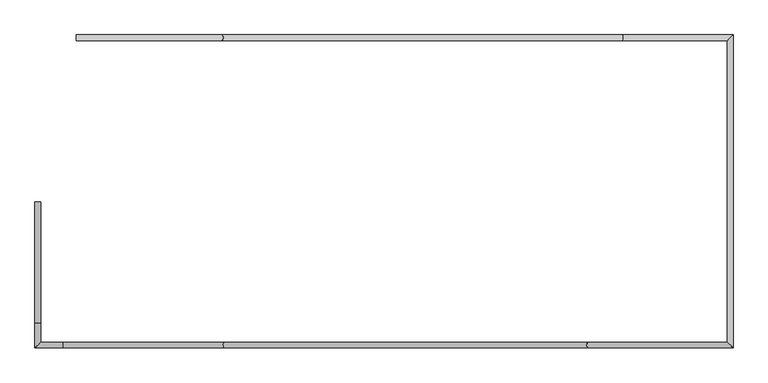
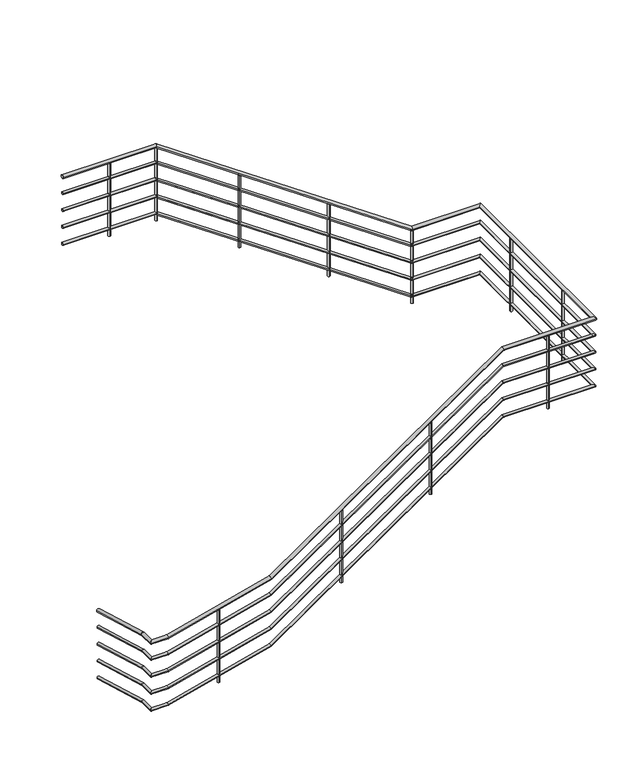
"""IFC4 building model written with IfcOpenShell, lengths in millimetres: railing geometry."""

from ifc_helpers import new_model, si_unit, point, frame, frame_2d, origin, place, context, project, spatial, circle_curve, ellipse_curve, trimmed, segment, composite_curve, outline, extrude, source, transform, mapped, element, save
from ifc_brep_helpers import plane_surface, cylinder_surface, advanced_brep


def railing_7acc2935(model_context):
    return source(origin(), model_context, "Body", "SolidModel", [
        advanced_brep(
        [(-3200.9784025, 14849.6868987, 1159.2096895), (-3240.9784025, 14849.6868987, 1159.2096895), (-3200.9784025, 13983.2318837, 1405.1860651), (-3240.9784025, 13983.2318837, 1405.1860651), (-3200.9784025, 13844.6868987, 1405.1860651), (-3240.9784025, 13804.6868987, 1405.1860651), (-3040.287411, 13844.6868987, 1405.1860651), (-3040.287411, 13804.6868987, 1405.1860651), (-1887.5349177, 13844.6868987, 1701.5202767), (-1887.5349177, 13804.6868987, 1701.5202767), (710.2691271, 13844.6868987, 3500.0), (710.2691271, 13804.6868987, 3500.0), (1709.0215975, 13844.6868987, 3500.0), (1749.0215975, 13804.6868987, 3500.0), (1709.0215975, 16004.6868987, 3500.0), (1749.0215975, 16044.6868987, 3500.0), (957.7740679, 16004.6868987, 3500.0), (957.7740679, 16044.6868987, 3500.0), (-1902.2259321, 16004.6868987, 5480.0), (-1902.2259321, 16044.6868987, 5480.0), (-2945.9784025, 16004.6868987, 5480.0), (-2945.9784025, 16044.6868987, 5480.0)],
        [
            (0, 1, ellipse_curve(frame((-3220.9784025, 14849.6868987, 1159.2096895), z_axis=(0.0, 1.0, 0.0), x_axis=(0.0, 0.0, -0.9999999999999999)), 20.7903105, 20.0)),
            (1, 0, ellipse_curve(frame((-3220.9784025, 14849.6868987, 1159.2096895), z_axis=(0.0, 1.0, 0.0), x_axis=(0.0, 0.0, -0.9999999999999999)), 20.7903105, 20.0)),
            (0, 2),
            (2, 3, ellipse_curve(frame((-3220.9784025, 13983.2318837, 1405.1860651), z_axis=(0.0, 0.9904510578378964, -0.1378647961873951), x_axis=(0.0, -0.1378647961873958, -0.9904510578378964)), 20.1928201, 20.0)),
            (3, 1),
            (3, 2, ellipse_curve(frame((-3220.9784025, 13983.2318837, 1405.1860651), z_axis=(0.0, 0.9904510578378964, -0.1378647961873951), x_axis=(0.0, -0.1378647961873958, -0.9904510578378964)), 20.1928201, 20.0)),
            (2, 4),
            (4, 5, ellipse_curve(frame((-3220.9784025, 13824.6868987, 1405.1860651), z_axis=(-0.7071067811865469, 0.7071067811865481, 0.0), x_axis=(0.7071067811865481, 0.7071067811865468, 0.0)), 28.2842712, 20.0)),
            (5, 3),
            (5, 4, ellipse_curve(frame((-3220.9784025, 13824.6868987, 1405.1860651), z_axis=(-0.7071067811865469, 0.7071067811865481, 0.0), x_axis=(0.7071067811865481, 0.7071067811865468, 0.0)), 28.2842712, 20.0)),
            (4, 6),
            (6, 7, ellipse_curve(frame((-3040.287411, 13824.6868987, 1405.1860651), z_axis=(-0.9920964504827824, 0.0, -0.12547761927716114), x_axis=(-0.12547761927716075, 0.0, 0.9920964504827824)), 20.1593303, 20.0)),
            (7, 5),
            (7, 6, ellipse_curve(frame((-3040.287411, 13824.6868987, 1405.1860651), z_axis=(-0.9920964504827824, 0.0, -0.12547761927716114), x_axis=(-0.12547761927716075, 0.0, 0.9920964504827824)), 20.1593303, 20.0)),
            (6, 8),
            (8, 9, ellipse_curve(frame((-1887.5349177, 13824.6868987, 1701.5202767), z_axis=(-0.9095561360667639, 0.0, -0.41558108155123985), x_axis=(-0.415581081551241, 0.0, 0.9095561360667636)), 20.3172983, 20.0)),
            (9, 7),
            (9, 8, ellipse_curve(frame((-1887.5349177, 13824.6868987, 1701.5202767), z_axis=(-0.9095561360667639, 0.0, -0.41558108155123985), x_axis=(-0.415581081551241, 0.0, 0.9095561360667636)), 20.3172983, 20.0)),
            (8, 10),
            (10, 11, ellipse_curve(frame((710.2691271, 13824.6868987, 3500.0), z_axis=(-0.9545135388363484, 0.0, -0.29816757734218957), x_axis=(0.2981675773421887, 0.0, -0.9545135388363488)), 20.9530815, 20.0)),
            (11, 9),
            (11, 10, ellipse_curve(frame((710.2691271, 13824.6868987, 3500.0), z_axis=(-0.9545135388363484, 0.0, -0.29816757734218957), x_axis=(0.2981675773421887, 0.0, -0.9545135388363488)), 20.9530815, 20.0)),
            (10, 12),
            (12, 13, ellipse_curve(frame((1729.0215975, 13824.6868987, 3500.0), z_axis=(-0.7071067811865475, -0.7071067811865475, 0.0), x_axis=(-0.7071067811865476, 0.7071067811865474, 0.0)), 28.2842712, 20.0)),
            (13, 11),
            (13, 12, ellipse_curve(frame((1729.0215975, 13824.6868987, 3500.0), z_axis=(-0.7071067811865475, -0.7071067811865475, 0.0), x_axis=(-0.7071067811865476, 0.7071067811865474, 0.0)), 28.2842712, 20.0)),
            (12, 14),
            (14, 15, ellipse_curve(frame((1729.0215975, 16024.6868987, 3500.0), z_axis=(0.7071067811865475, -0.7071067811865475, 0.0), x_axis=(-0.7071067811865474, -0.7071067811865476, 0.0)), 28.2842712, 20.0)),
            (15, 13),
            (15, 14, ellipse_curve(frame((1729.0215975, 16024.6868987, 3500.0), z_axis=(0.7071067811865475, -0.7071067811865475, 0.0), x_axis=(-0.7071067811865474, -0.7071067811865476, 0.0)), 28.2842712, 20.0)),
            (14, 16),
            (16, 17, ellipse_curve(frame((957.7740679, 16024.6868987, 3500.0), z_axis=(0.9545135388363485, 0.0, -0.29816757734218974), x_axis=(0.2981675773421897, 0.0, 0.9545135388363485)), 20.9530815, 20.0)),
            (17, 15),
            (17, 16, ellipse_curve(frame((957.7740679, 16024.6868987, 3500.0), z_axis=(0.9545135388363485, 0.0, -0.29816757734218974), x_axis=(0.2981675773421897, 0.0, 0.9545135388363485)), 20.9530815, 20.0)),
            (16, 18),
            (18, 19, ellipse_curve(frame((-1902.2259321, 16024.6868987, 5480.0), z_axis=(0.9545135388363485, 0.0, -0.29816757734218974), x_axis=(-0.2981675773421897, 0.0, -0.9545135388363485)), 20.9530815, 20.0)),
            (19, 17),
            (19, 18, ellipse_curve(frame((-1902.2259321, 16024.6868987, 5480.0), z_axis=(0.9545135388363485, 0.0, -0.29816757734218974), x_axis=(-0.2981675773421897, 0.0, -0.9545135388363485)), 20.9530815, 20.0)),
            (20, 21, circle_curve(frame((-2945.9784025, 16024.6868987, 5480.0), z_axis=(-1.0, 0.0, 0.0), x_axis=(0.0, 1.0, 0.0)), 20.0)),
            (21, 20, circle_curve(frame((-2945.9784025, 16024.6868987, 5480.0), z_axis=(-1.0, 0.0, 0.0), x_axis=(0.0, 1.0, 0.0)), 20.0)),
            (18, 20),
            (21, 19),
        ],
        [
            plane_surface(frame((-3220.9784025, 14849.6868987, 1180.0), z_axis=(0.0, 1.0, 0.0), x_axis=(0.0, 0.0, -1.0))),
            cylinder_surface(frame((-3220.9784025, 14844.2249654, 1160.7602681), z_axis=(0.0, 0.961986595944416, -0.27309666644482294), x_axis=(-1.0, 0.0, 0.0)), 20.0),
            cylinder_surface(frame((-3220.9784025, 13986.0157627, 1405.1860651), z_axis=(0.0, 1.0, 0.0), x_axis=(-1.0, 0.0, 0.0)), 20.0),
            cylinder_surface(frame((-3220.9784025, 13824.6868987, 1405.1860651), z_axis=(-1.0, 0.0, 0.0), x_axis=(0.0, -1.0, 0.0)), 20.0),
            cylinder_surface(frame((-3037.8375197, 13824.6868987, 1405.8158504), z_axis=(-0.9685107341210716, 0.0, -0.24897180139980304), x_axis=(0.0, -1.0, 0.0)), 20.0),
            cylinder_surface(frame((-1884.5942029, 13824.6868987, 1703.5561562), z_axis=(-0.8221921916437788, 0.0, -0.5692099788303081), x_axis=(0.0, -1.0, 0.0)), 20.0),
            cylinder_surface(frame((704.0215975, 13824.6868987, 3500.0), z_axis=(-1.0, 0.0, 0.0), x_axis=(0.0, -1.0, 0.0)), 20.0),
            cylinder_surface(frame((1729.0215975, 13824.6868987, 3500.0), z_axis=(0.0, -1.0, 0.0), x_axis=(1.0, 0.0, 0.0)), 20.0),
            cylinder_surface(frame((1729.0215975, 16024.6868987, 3500.0), z_axis=(1.0, 0.0, 0.0), x_axis=(0.0, 1.0, 0.0)), 20.0),
            cylinder_surface(frame((952.6373979, 16024.6868987, 3503.5561562), z_axis=(0.8221921916437787, 0.0, -0.5692099788303083), x_axis=(0.0, 1.0, 0.0)), 20.0),
            plane_surface(frame((-2945.9784025, 16024.6868987, 5500.0), z_axis=(-1.0, 0.0, 0.0), x_axis=(0.0, -1.0, 0.0))),
            cylinder_surface(frame((-1895.9784025, 16024.6868987, 5480.0), z_axis=(1.0, 0.0, 0.0), x_axis=(0.0, 1.0, 0.0)), 20.0),
        ],
        [
            (0, [[1, 2]]),
            (1, [[-1, 3, 4, 5]]),
            (1, [[-2, -5, 6, -3]]),
            (2, [[-4, 7, 8, 9]]),
            (2, [[-6, -9, 10, -7]]),
            (3, [[-8, 11, 12, 13]]),
            (3, [[-10, -13, 14, -11]]),
            (4, [[-12, 15, 16, 17]]),
            (4, [[-14, -17, 18, -15]]),
            (5, [[-16, 19, 20, 21]]),
            (5, [[-18, -21, 22, -19]]),
            (6, [[-20, 23, 24, 25]]),
            (6, [[-22, -25, 26, -23]]),
            (7, [[-24, 27, 28, 29]]),
            (7, [[-26, -29, 30, -27]]),
            (8, [[-28, 31, 32, 33]]),
            (8, [[-30, -33, 34, -31]]),
            (9, [[-32, 35, 36, 37]]),
            (9, [[-34, -37, 38, -35]]),
            (10, [[39, 40]]),
            (11, [[-36, 41, -40, 42]]),
            (11, [[-38, -42, -39, -41]]),
        ],
    ),
        advanced_brep(
        [(-3205.9784025, 14849.6868987, 964.4072671), (-3235.9784025, 14849.6868987, 964.4072671), (-3205.9784025, 13983.9278534, 1210.1860651), (-3235.9784025, 13983.9278534, 1210.1860651), (-3205.9784025, 13839.6868987, 1210.1860651), (-3235.9784025, 13809.6868987, 1210.1860651), (-3040.9197972, 13839.6868987, 1210.1860651), (-3040.9197972, 13809.6868987, 1210.1860651), (-1889.6457889, 13839.6868987, 1506.1402075), (-1889.6457889, 13809.6868987, 1506.1402075), (708.7072447, 13839.6868987, 3305.0), (708.7072447, 13809.6868987, 3305.0), (1714.0215975, 13839.6868987, 3305.0), (1744.0215975, 13809.6868987, 3305.0), (1714.0215975, 16009.6868987, 3305.0), (1744.0215975, 16039.6868987, 3305.0), (959.3359503, 16009.6868987, 3305.0), (959.3359503, 16039.6868987, 3305.0), (-1900.6640497, 16009.6868987, 5285.0), (-1900.6640497, 16039.6868987, 5285.0), (-2945.9784025, 16009.6868987, 5285.0), (-2945.9784025, 16039.6868987, 5285.0)],
        [
            (0, 1, ellipse_curve(frame((-3220.9784025, 14849.6868987, 964.4072671), z_axis=(0.0, 1.0, 0.0), x_axis=(0.0, 0.0, -0.9999999999999999)), 15.5927329, 15.0)),
            (1, 0, ellipse_curve(frame((-3220.9784025, 14849.6868987, 964.4072671), z_axis=(0.0, 1.0, 0.0), x_axis=(0.0, 0.0, -0.9999999999999999)), 15.5927329, 15.0)),
            (0, 2),
            (2, 3, ellipse_curve(frame((-3220.9784025, 13983.9278534, 1210.1860651), z_axis=(0.0, 0.9904510578378964, -0.1378647961873951), x_axis=(0.0, -0.1378647961873958, -0.9904510578378964)), 15.1446151, 15.0)),
            (3, 1),
            (3, 2, ellipse_curve(frame((-3220.9784025, 13983.9278534, 1210.1860651), z_axis=(0.0, 0.9904510578378964, -0.1378647961873951), x_axis=(0.0, -0.1378647961873958, -0.9904510578378964)), 15.1446151, 15.0)),
            (2, 4),
            (4, 5, ellipse_curve(frame((-3220.9784025, 13824.6868987, 1210.1860651), z_axis=(-0.7071067811865469, 0.7071067811865481, 0.0), x_axis=(0.7071067811865481, 0.7071067811865468, 0.0)), 21.2132034, 15.0)),
            (5, 3),
            (5, 4, ellipse_curve(frame((-3220.9784025, 13824.6868987, 1210.1860651), z_axis=(-0.7071067811865469, 0.7071067811865481, 0.0), x_axis=(0.7071067811865481, 0.7071067811865468, 0.0)), 21.2132034, 15.0)),
            (4, 6),
            (6, 7, ellipse_curve(frame((-3040.9197972, 13824.6868987, 1210.1860651), z_axis=(-0.9920964504827824, 0.0, -0.12547761927716114), x_axis=(-0.12547761927716075, 0.0, 0.9920964504827824)), 15.1194977, 15.0)),
            (7, 5),
            (7, 6, ellipse_curve(frame((-3040.9197972, 13824.6868987, 1210.1860651), z_axis=(-0.9920964504827824, 0.0, -0.12547761927716114), x_axis=(-0.12547761927716075, 0.0, 0.9920964504827824)), 15.1194977, 15.0)),
            (6, 8),
            (8, 9, ellipse_curve(frame((-1889.6457889, 13824.6868987, 1506.1402075), z_axis=(-0.9095561360667639, 0.0, -0.41558108155123985), x_axis=(-0.415581081551241, 0.0, 0.9095561360667636)), 15.2379737, 15.0)),
            (9, 7),
            (9, 8, ellipse_curve(frame((-1889.6457889, 13824.6868987, 1506.1402075), z_axis=(-0.9095561360667639, 0.0, -0.41558108155123985), x_axis=(-0.415581081551241, 0.0, 0.9095561360667636)), 15.2379737, 15.0)),
            (8, 10),
            (10, 11, ellipse_curve(frame((708.7072447, 13824.6868987, 3305.0), z_axis=(-0.9545135388363484, 0.0, -0.29816757734218957), x_axis=(0.2981675773421887, 0.0, -0.9545135388363488)), 15.7148111, 15.0)),
            (11, 9),
            (11, 10, ellipse_curve(frame((708.7072447, 13824.6868987, 3305.0), z_axis=(-0.9545135388363484, 0.0, -0.29816757734218957), x_axis=(0.2981675773421887, 0.0, -0.9545135388363488)), 15.7148111, 15.0)),
            (10, 12),
            (12, 13, ellipse_curve(frame((1729.0215975, 13824.6868987, 3305.0), z_axis=(-0.7071067811865475, -0.7071067811865475, 0.0), x_axis=(-0.7071067811865476, 0.7071067811865474, 0.0)), 21.2132034, 15.0)),
            (13, 11),
            (13, 12, ellipse_curve(frame((1729.0215975, 13824.6868987, 3305.0), z_axis=(-0.7071067811865475, -0.7071067811865475, 0.0), x_axis=(-0.7071067811865476, 0.7071067811865474, 0.0)), 21.2132034, 15.0)),
            (12, 14),
            (14, 15, ellipse_curve(frame((1729.0215975, 16024.6868987, 3305.0), z_axis=(0.7071067811865475, -0.7071067811865475, 0.0), x_axis=(-0.7071067811865474, -0.7071067811865476, 0.0)), 21.2132034, 15.0)),
            (15, 13),
            (15, 14, ellipse_curve(frame((1729.0215975, 16024.6868987, 3305.0), z_axis=(0.7071067811865475, -0.7071067811865475, 0.0), x_axis=(-0.7071067811865474, -0.7071067811865476, 0.0)), 21.2132034, 15.0)),
            (14, 16),
            (16, 17, ellipse_curve(frame((959.3359503, 16024.6868987, 3305.0), z_axis=(0.9545135388363485, 0.0, -0.29816757734218974), x_axis=(0.2981675773421897, 0.0, 0.9545135388363485)), 15.7148111, 15.0)),
            (17, 15),
            (17, 16, ellipse_curve(frame((959.3359503, 16024.6868987, 3305.0), z_axis=(0.9545135388363485, 0.0, -0.29816757734218974), x_axis=(0.2981675773421897, 0.0, 0.9545135388363485)), 15.7148111, 15.0)),
            (16, 18),
            (18, 19, ellipse_curve(frame((-1900.6640497, 16024.6868987, 5285.0), z_axis=(0.9545135388363485, 0.0, -0.29816757734218974), x_axis=(-0.2981675773421897, 0.0, -0.9545135388363485)), 15.7148111, 15.0)),
            (19, 17),
            (19, 18, ellipse_curve(frame((-1900.6640497, 16024.6868987, 5285.0), z_axis=(0.9545135388363485, 0.0, -0.29816757734218974), x_axis=(-0.2981675773421897, 0.0, -0.9545135388363485)), 15.7148111, 15.0)),
            (20, 21, circle_curve(frame((-2945.9784025, 16024.6868987, 5285.0), z_axis=(-1.0, 0.0, 0.0), x_axis=(0.0, 1.0, 0.0)), 15.0)),
            (21, 20, circle_curve(frame((-2945.9784025, 16024.6868987, 5285.0), z_axis=(-1.0, 0.0, 0.0), x_axis=(0.0, 1.0, 0.0)), 15.0)),
            (18, 20),
            (21, 19),
        ],
        [
            plane_surface(frame((-3220.9784025, 14849.6868987, 980.0), z_axis=(0.0, 1.0, 0.0), x_axis=(0.0, 0.0, -1.0))),
            cylinder_surface(frame((-3220.9784025, 14845.5904487, 965.5702011), z_axis=(0.0, 0.961986595944416, -0.27309666644482294), x_axis=(-1.0, 0.0, 0.0)), 15.0),
            cylinder_surface(frame((-3220.9784025, 13986.0157627, 1210.1860651), z_axis=(0.0, 1.0, 0.0), x_axis=(-1.0, 0.0, 0.0)), 15.0),
            cylinder_surface(frame((-3220.9784025, 13824.6868987, 1210.1860651), z_axis=(-1.0, 0.0, 0.0), x_axis=(0.0, -1.0, 0.0)), 15.0),
            cylinder_surface(frame((-3039.0823787, 13824.6868987, 1210.6584041), z_axis=(-0.9685107341210716, 0.0, -0.24897180139980304), x_axis=(0.0, -1.0, 0.0)), 15.0),
            cylinder_surface(frame((-1887.4402528, 13824.6868987, 1507.6671171), z_axis=(-0.8221921916437788, 0.0, -0.5692099788303081), x_axis=(0.0, -1.0, 0.0)), 15.0),
            cylinder_surface(frame((704.0215975, 13824.6868987, 3305.0), z_axis=(-1.0, 0.0, 0.0), x_axis=(0.0, -1.0, 0.0)), 15.0),
            cylinder_surface(frame((1729.0215975, 13824.6868987, 3305.0), z_axis=(0.0, -1.0, 0.0), x_axis=(1.0, 0.0, 0.0)), 15.0),
            cylinder_surface(frame((1729.0215975, 16024.6868987, 3305.0), z_axis=(1.0, 0.0, 0.0), x_axis=(0.0, 1.0, 0.0)), 15.0),
            cylinder_surface(frame((955.4834478, 16024.6868987, 3307.6671171), z_axis=(0.8221921916437787, 0.0, -0.5692099788303083), x_axis=(0.0, 1.0, 0.0)), 15.0),
            plane_surface(frame((-2945.9784025, 16024.6868987, 5300.0), z_axis=(-1.0, 0.0, 0.0), x_axis=(0.0, -1.0, 0.0))),
            cylinder_surface(frame((-1895.9784025, 16024.6868987, 5285.0), z_axis=(1.0, 0.0, 0.0), x_axis=(0.0, 1.0, 0.0)), 15.0),
        ],
        [
            (0, [[1, 2]]),
            (1, [[-1, 3, 4, 5]]),
            (1, [[-2, -5, 6, -3]]),
            (2, [[-4, 7, 8, 9]]),
            (2, [[-6, -9, 10, -7]]),
            (3, [[-8, 11, 12, 13]]),
            (3, [[-10, -13, 14, -11]]),
            (4, [[-12, 15, 16, 17]]),
            (4, [[-14, -17, 18, -15]]),
            (5, [[-16, 19, 20, 21]]),
            (5, [[-18, -21, 22, -19]]),
            (6, [[-20, 23, 24, 25]]),
            (6, [[-22, -25, 26, -23]]),
            (7, [[-24, 27, 28, 29]]),
            (7, [[-26, -29, 30, -27]]),
            (8, [[-28, 31, 32, 33]]),
            (8, [[-30, -33, 34, -31]]),
            (9, [[-32, 35, 36, 37]]),
            (9, [[-34, -37, 38, -35]]),
            (10, [[39, 40]]),
            (11, [[-36, 41, -40, 42]]),
            (11, [[-38, -42, -39, -41]]),
        ],
    ),
        advanced_brep(
        [(-3205.9784025, 14849.6868987, 764.4072671), (-3235.9784025, 14849.6868987, 764.4072671), (-3205.9784025, 13983.9278534, 1010.1860651), (-3235.9784025, 13983.9278534, 1010.1860651), (-3205.9784025, 13839.6868987, 1010.1860651), (-3235.9784025, 13809.6868987, 1010.1860651), (-3040.9197972, 13839.6868987, 1010.1860651), (-3040.9197972, 13809.6868987, 1010.1860651), (-1889.6457889, 13839.6868987, 1306.1402075), (-1889.6457889, 13809.6868987, 1306.1402075), (708.7072447, 13839.6868987, 3105.0), (708.7072447, 13809.6868987, 3105.0), (1714.0215975, 13839.6868987, 3105.0), (1744.0215975, 13809.6868987, 3105.0), (1714.0215975, 16009.6868987, 3105.0), (1744.0215975, 16039.6868987, 3105.0), (959.3359503, 16009.6868987, 3105.0), (959.3359503, 16039.6868987, 3105.0), (-1900.6640497, 16009.6868987, 5085.0), (-1900.6640497, 16039.6868987, 5085.0), (-2945.9784025, 16009.6868987, 5085.0), (-2945.9784025, 16039.6868987, 5085.0)],
        [
            (0, 1, ellipse_curve(frame((-3220.9784025, 14849.6868987, 764.4072671), z_axis=(0.0, 1.0, 0.0), x_axis=(0.0, 0.0, -1.0)), 15.5927329, 15.0)),
            (1, 0, ellipse_curve(frame((-3220.9784025, 14849.6868987, 764.4072671), z_axis=(0.0, 1.0, 0.0), x_axis=(0.0, 0.0, -1.0)), 15.5927329, 15.0)),
            (0, 2),
            (2, 3, ellipse_curve(frame((-3220.9784025, 13983.9278534, 1010.1860651), z_axis=(0.0, 0.9904510578378964, -0.13786479618739517), x_axis=(0.0, -0.13786479618739572, -0.9904510578378963)), 15.1446151, 15.0)),
            (3, 1),
            (3, 2, ellipse_curve(frame((-3220.9784025, 13983.9278534, 1010.1860651), z_axis=(0.0, 0.9904510578378964, -0.13786479618739517), x_axis=(0.0, -0.13786479618739572, -0.9904510578378963)), 15.1446151, 15.0)),
            (2, 4),
            (4, 5, ellipse_curve(frame((-3220.9784025, 13824.6868987, 1010.1860651), z_axis=(-0.7071067811865469, 0.7071067811865481, 0.0), x_axis=(0.7071067811865481, 0.7071067811865468, 0.0)), 21.2132034, 15.0)),
            (5, 3),
            (5, 4, ellipse_curve(frame((-3220.9784025, 13824.6868987, 1010.1860651), z_axis=(-0.7071067811865469, 0.7071067811865481, 0.0), x_axis=(0.7071067811865481, 0.7071067811865468, 0.0)), 21.2132034, 15.0)),
            (4, 6),
            (6, 7, ellipse_curve(frame((-3040.9197972, 13824.6868987, 1010.1860651), z_axis=(-0.9920964504827824, 0.0, -0.12547761927716108), x_axis=(-0.1254776192771608, 0.0, 0.9920964504827824)), 15.1194977, 15.0)),
            (7, 5),
            (7, 6, ellipse_curve(frame((-3040.9197972, 13824.6868987, 1010.1860651), z_axis=(-0.9920964504827824, 0.0, -0.12547761927716108), x_axis=(-0.1254776192771608, 0.0, 0.9920964504827824)), 15.1194977, 15.0)),
            (6, 8),
            (8, 9, ellipse_curve(frame((-1889.6457889, 13824.6868987, 1306.1402075), z_axis=(-0.9095561360667639, 0.0, -0.41558108155123985), x_axis=(-0.4155810815512414, 0.0, 0.9095561360667633)), 15.2379737, 15.0)),
            (9, 7),
            (9, 8, ellipse_curve(frame((-1889.6457889, 13824.6868987, 1306.1402075), z_axis=(-0.9095561360667639, 0.0, -0.41558108155123985), x_axis=(-0.4155810815512414, 0.0, 0.9095561360667633)), 15.2379737, 15.0)),
            (8, 10),
            (10, 11, ellipse_curve(frame((708.7072447, 13824.6868987, 3105.0), z_axis=(-0.9545135388363484, 0.0, -0.2981675773421896), x_axis=(0.2981675773421886, 0.0, -0.9545135388363488)), 15.7148111, 15.0)),
            (11, 9),
            (11, 10, ellipse_curve(frame((708.7072447, 13824.6868987, 3105.0), z_axis=(-0.9545135388363484, 0.0, -0.2981675773421896), x_axis=(0.2981675773421886, 0.0, -0.9545135388363488)), 15.7148111, 15.0)),
            (10, 12),
            (12, 13, ellipse_curve(frame((1729.0215975, 13824.6868987, 3105.0), z_axis=(-0.7071067811865475, -0.7071067811865475, 0.0), x_axis=(-0.7071067811865476, 0.7071067811865474, 0.0)), 21.2132034, 15.0)),
            (13, 11),
            (13, 12, ellipse_curve(frame((1729.0215975, 13824.6868987, 3105.0), z_axis=(-0.7071067811865475, -0.7071067811865475, 0.0), x_axis=(-0.7071067811865476, 0.7071067811865474, 0.0)), 21.2132034, 15.0)),
            (12, 14),
            (14, 15, ellipse_curve(frame((1729.0215975, 16024.6868987, 3105.0), z_axis=(0.7071067811865475, -0.7071067811865475, 0.0), x_axis=(-0.7071067811865474, -0.7071067811865476, 0.0)), 21.2132034, 15.0)),
            (15, 13),
            (15, 14, ellipse_curve(frame((1729.0215975, 16024.6868987, 3105.0), z_axis=(0.7071067811865475, -0.7071067811865475, 0.0), x_axis=(-0.7071067811865474, -0.7071067811865476, 0.0)), 21.2132034, 15.0)),
            (14, 16),
            (16, 17, ellipse_curve(frame((959.3359503, 16024.6868987, 3105.0), z_axis=(0.9545135388363485, 0.0, -0.29816757734218974), x_axis=(0.2981675773421897, 0.0, 0.9545135388363485)), 15.7148111, 15.0)),
            (17, 15),
            (17, 16, ellipse_curve(frame((959.3359503, 16024.6868987, 3105.0), z_axis=(0.9545135388363485, 0.0, -0.29816757734218974), x_axis=(0.2981675773421897, 0.0, 0.9545135388363485)), 15.7148111, 15.0)),
            (16, 18),
            (18, 19, ellipse_curve(frame((-1900.6640497, 16024.6868987, 5085.0), z_axis=(0.9545135388363485, 0.0, -0.29816757734218974), x_axis=(-0.2981675773421897, 0.0, -0.9545135388363485)), 15.7148111, 15.0)),
            (19, 17),
            (19, 18, ellipse_curve(frame((-1900.6640497, 16024.6868987, 5085.0), z_axis=(0.9545135388363485, 0.0, -0.29816757734218974), x_axis=(-0.2981675773421897, 0.0, -0.9545135388363485)), 15.7148111, 15.0)),
            (20, 21, circle_curve(frame((-2945.9784025, 16024.6868987, 5085.0), z_axis=(-1.0, 0.0, 0.0), x_axis=(0.0, 1.0, 0.0)), 15.0)),
            (21, 20, circle_curve(frame((-2945.9784025, 16024.6868987, 5085.0), z_axis=(-1.0, 0.0, 0.0), x_axis=(0.0, 1.0, 0.0)), 15.0)),
            (18, 20),
            (21, 19),
        ],
        [
            plane_surface(frame((-3220.9784025, 14849.6868987, 780.0), z_axis=(0.0, 1.0, 0.0), x_axis=(0.0, 0.0, -1.0))),
            cylinder_surface(frame((-3220.9784025, 14845.5904487, 765.5702011), z_axis=(0.0, 0.961986595944416, -0.27309666644482306), x_axis=(-1.0, 0.0, 0.0)), 15.0),
            cylinder_surface(frame((-3220.9784025, 13986.0157627, 1010.1860651), z_axis=(0.0, 1.0, 0.0), x_axis=(-1.0, 0.0, 0.0)), 15.0),
            cylinder_surface(frame((-3220.9784025, 13824.6868987, 1010.1860651), z_axis=(-1.0, 0.0, 0.0), x_axis=(0.0, -1.0, 0.0)), 15.0),
            cylinder_surface(frame((-3039.0823787, 13824.6868987, 1010.6584041), z_axis=(-0.9685107341210716, 0.0, -0.24897180139980293), x_axis=(0.0, -1.0, 0.0)), 15.0),
            cylinder_surface(frame((-1887.4402528, 13824.6868987, 1307.6671171), z_axis=(-0.8221921916437788, 0.0, -0.5692099788303082), x_axis=(0.0, -1.0, 0.0)), 15.0),
            cylinder_surface(frame((704.0215975, 13824.6868987, 3105.0), z_axis=(-1.0, 0.0, 0.0), x_axis=(0.0, -1.0, 0.0)), 15.0),
            cylinder_surface(frame((1729.0215975, 13824.6868987, 3105.0), z_axis=(0.0, -1.0, 0.0), x_axis=(1.0, 0.0, 0.0)), 15.0),
            cylinder_surface(frame((1729.0215975, 16024.6868987, 3105.0), z_axis=(1.0, 0.0, 0.0), x_axis=(0.0, 1.0, 0.0)), 15.0),
            cylinder_surface(frame((955.4834478, 16024.6868987, 3107.6671171), z_axis=(0.8221921916437787, 0.0, -0.5692099788303083), x_axis=(0.0, 1.0, 0.0)), 15.0),
            plane_surface(frame((-2945.9784025, 16024.6868987, 5100.0), z_axis=(-1.0, 0.0, 0.0), x_axis=(0.0, -1.0, 0.0))),
            cylinder_surface(frame((-1895.9784025, 16024.6868987, 5085.0), z_axis=(1.0, 0.0, 0.0), x_axis=(0.0, 1.0, 0.0)), 15.0),
        ],
        [
            (0, [[1, 2]]),
            (1, [[-1, 3, 4, 5]]),
            (1, [[-2, -5, 6, -3]]),
            (2, [[-4, 7, 8, 9]]),
            (2, [[-6, -9, 10, -7]]),
            (3, [[-8, 11, 12, 13]]),
            (3, [[-10, -13, 14, -11]]),
            (4, [[-12, 15, 16, 17]]),
            (4, [[-14, -17, 18, -15]]),
            (5, [[-16, 19, 20, 21]]),
            (5, [[-18, -21, 22, -19]]),
            (6, [[-20, 23, 24, 25]]),
            (6, [[-22, -25, 26, -23]]),
            (7, [[-24, 27, 28, 29]]),
            (7, [[-26, -29, 30, -27]]),
            (8, [[-28, 31, 32, 33]]),
            (8, [[-30, -33, 34, -31]]),
            (9, [[-32, 35, 36, 37]]),
            (9, [[-34, -37, 38, -35]]),
            (10, [[39, 40]]),
            (11, [[-36, 41, -40, 42]]),
            (11, [[-38, -42, -39, -41]]),
        ],
    ),
        advanced_brep(
        [(-3205.9784025, 14849.6868987, 564.4072671), (-3235.9784025, 14849.6868987, 564.4072671), (-3205.9784025, 13983.9278534, 810.1860651), (-3235.9784025, 13983.9278534, 810.1860651), (-3205.9784025, 13839.6868987, 810.1860651), (-3235.9784025, 13809.6868987, 810.1860651), (-3040.9197972, 13839.6868987, 810.1860651), (-3040.9197972, 13809.6868987, 810.1860651), (-1889.6457889, 13839.6868987, 1106.1402075), (-1889.6457889, 13809.6868987, 1106.1402075), (708.7072447, 13839.6868987, 2905.0), (708.7072447, 13809.6868987, 2905.0), (1714.0215975, 13839.6868987, 2905.0), (1744.0215975, 13809.6868987, 2905.0), (1714.0215975, 16009.6868987, 2905.0), (1744.0215975, 16039.6868987, 2905.0), (959.3359503, 16009.6868987, 2905.0), (959.3359503, 16039.6868987, 2905.0), (-1900.6640497, 16009.6868987, 4885.0), (-1900.6640497, 16039.6868987, 4885.0), (-2945.9784025, 16009.6868987, 4885.0), (-2945.9784025, 16039.6868987, 4885.0)],
        [
            (0, 1, ellipse_curve(frame((-3220.9784025, 14849.6868987, 564.4072671), z_axis=(0.0, 1.0, 0.0), x_axis=(0.0, 0.0, -1.0)), 15.5927329, 15.0)),
            (1, 0, ellipse_curve(frame((-3220.9784025, 14849.6868987, 564.4072671), z_axis=(0.0, 1.0, 0.0), x_axis=(0.0, 0.0, -1.0)), 15.5927329, 15.0)),
            (0, 2),
            (2, 3, ellipse_curve(frame((-3220.9784025, 13983.9278534, 810.1860651), z_axis=(0.0, 0.9904510578378964, -0.13786479618739517), x_axis=(0.0, -0.13786479618739572, -0.9904510578378963)), 15.1446151, 15.0)),
            (3, 1),
            (3, 2, ellipse_curve(frame((-3220.9784025, 13983.9278534, 810.1860651), z_axis=(0.0, 0.9904510578378964, -0.13786479618739517), x_axis=(0.0, -0.13786479618739572, -0.9904510578378963)), 15.1446151, 15.0)),
            (2, 4),
            (4, 5, ellipse_curve(frame((-3220.9784025, 13824.6868987, 810.1860651), z_axis=(-0.7071067811865469, 0.7071067811865481, 0.0), x_axis=(0.7071067811865481, 0.7071067811865468, 0.0)), 21.2132034, 15.0)),
            (5, 3),
            (5, 4, ellipse_curve(frame((-3220.9784025, 13824.6868987, 810.1860651), z_axis=(-0.7071067811865469, 0.7071067811865481, 0.0), x_axis=(0.7071067811865481, 0.7071067811865468, 0.0)), 21.2132034, 15.0)),
            (4, 6),
            (6, 7, ellipse_curve(frame((-3040.9197972, 13824.6868987, 810.1860651), z_axis=(-0.9920964504827824, 0.0, -0.12547761927716108), x_axis=(-0.1254776192771608, 0.0, 0.9920964504827824)), 15.1194977, 15.0)),
            (7, 5),
            (7, 6, ellipse_curve(frame((-3040.9197972, 13824.6868987, 810.1860651), z_axis=(-0.9920964504827824, 0.0, -0.12547761927716108), x_axis=(-0.1254776192771608, 0.0, 0.9920964504827824)), 15.1194977, 15.0)),
            (6, 8),
            (8, 9, ellipse_curve(frame((-1889.6457889, 13824.6868987, 1106.1402075), z_axis=(-0.9095561360667639, 0.0, -0.41558108155123985), x_axis=(-0.4155810815512414, 0.0, 0.9095561360667633)), 15.2379737, 15.0)),
            (9, 7),
            (9, 8, ellipse_curve(frame((-1889.6457889, 13824.6868987, 1106.1402075), z_axis=(-0.9095561360667639, 0.0, -0.41558108155123985), x_axis=(-0.4155810815512414, 0.0, 0.9095561360667633)), 15.2379737, 15.0)),
            (8, 10),
            (10, 11, ellipse_curve(frame((708.7072447, 13824.6868987, 2905.0), z_axis=(-0.9545135388363484, 0.0, -0.2981675773421896), x_axis=(0.2981675773421886, 0.0, -0.9545135388363488)), 15.7148111, 15.0)),
            (11, 9),
            (11, 10, ellipse_curve(frame((708.7072447, 13824.6868987, 2905.0), z_axis=(-0.9545135388363484, 0.0, -0.2981675773421896), x_axis=(0.2981675773421886, 0.0, -0.9545135388363488)), 15.7148111, 15.0)),
            (10, 12),
            (12, 13, ellipse_curve(frame((1729.0215975, 13824.6868987, 2905.0), z_axis=(-0.7071067811865475, -0.7071067811865475, 0.0), x_axis=(-0.7071067811865476, 0.7071067811865474, 0.0)), 21.2132034, 15.0)),
            (13, 11),
            (13, 12, ellipse_curve(frame((1729.0215975, 13824.6868987, 2905.0), z_axis=(-0.7071067811865475, -0.7071067811865475, 0.0), x_axis=(-0.7071067811865476, 0.7071067811865474, 0.0)), 21.2132034, 15.0)),
            (12, 14),
            (14, 15, ellipse_curve(frame((1729.0215975, 16024.6868987, 2905.0), z_axis=(0.7071067811865475, -0.7071067811865475, 0.0), x_axis=(-0.7071067811865474, -0.7071067811865476, 0.0)), 21.2132034, 15.0)),
            (15, 13),
            (15, 14, ellipse_curve(frame((1729.0215975, 16024.6868987, 2905.0), z_axis=(0.7071067811865475, -0.7071067811865475, 0.0), x_axis=(-0.7071067811865474, -0.7071067811865476, 0.0)), 21.2132034, 15.0)),
            (14, 16),
            (16, 17, ellipse_curve(frame((959.3359503, 16024.6868987, 2905.0), z_axis=(0.9545135388363485, 0.0, -0.29816757734218974), x_axis=(0.2981675773421897, 0.0, 0.9545135388363485)), 15.7148111, 15.0)),
            (17, 15),
            (17, 16, ellipse_curve(frame((959.3359503, 16024.6868987, 2905.0), z_axis=(0.9545135388363485, 0.0, -0.29816757734218974), x_axis=(0.2981675773421897, 0.0, 0.9545135388363485)), 15.7148111, 15.0)),
            (16, 18),
            (18, 19, ellipse_curve(frame((-1900.6640497, 16024.6868987, 4885.0), z_axis=(0.9545135388363485, 0.0, -0.29816757734218974), x_axis=(-0.2981675773421897, 0.0, -0.9545135388363485)), 15.7148111, 15.0)),
            (19, 17),
            (19, 18, ellipse_curve(frame((-1900.6640497, 16024.6868987, 4885.0), z_axis=(0.9545135388363485, 0.0, -0.29816757734218974), x_axis=(-0.2981675773421897, 0.0, -0.9545135388363485)), 15.7148111, 15.0)),
            (20, 21, circle_curve(frame((-2945.9784025, 16024.6868987, 4885.0), z_axis=(-1.0, 0.0, 0.0), x_axis=(0.0, 1.0, 0.0)), 15.0)),
            (21, 20, circle_curve(frame((-2945.9784025, 16024.6868987, 4885.0), z_axis=(-1.0, 0.0, 0.0), x_axis=(0.0, 1.0, 0.0)), 15.0)),
            (18, 20),
            (21, 19),
        ],
        [
            plane_surface(frame((-3220.9784025, 14849.6868987, 580.0), z_axis=(0.0, 1.0, 0.0), x_axis=(0.0, 0.0, -1.0))),
            cylinder_surface(frame((-3220.9784025, 14845.5904487, 565.5702011), z_axis=(0.0, 0.961986595944416, -0.27309666644482306), x_axis=(-1.0, 0.0, 0.0)), 15.0),
            cylinder_surface(frame((-3220.9784025, 13986.0157627, 810.1860651), z_axis=(0.0, 1.0, 0.0), x_axis=(-1.0, 0.0, 0.0)), 15.0),
            cylinder_surface(frame((-3220.9784025, 13824.6868987, 810.1860651), z_axis=(-1.0, 0.0, 0.0), x_axis=(0.0, -1.0, 0.0)), 15.0),
            cylinder_surface(frame((-3039.0823787, 13824.6868987, 810.6584041), z_axis=(-0.9685107341210716, 0.0, -0.24897180139980293), x_axis=(0.0, -1.0, 0.0)), 15.0),
            cylinder_surface(frame((-1887.4402528, 13824.6868987, 1107.6671171), z_axis=(-0.8221921916437788, 0.0, -0.5692099788303082), x_axis=(0.0, -1.0, 0.0)), 15.0),
            cylinder_surface(frame((704.0215975, 13824.6868987, 2905.0), z_axis=(-1.0, 0.0, 0.0), x_axis=(0.0, -1.0, 0.0)), 15.0),
            cylinder_surface(frame((1729.0215975, 13824.6868987, 2905.0), z_axis=(0.0, -1.0, 0.0), x_axis=(1.0, 0.0, 0.0)), 15.0),
            cylinder_surface(frame((1729.0215975, 16024.6868987, 2905.0), z_axis=(1.0, 0.0, 0.0), x_axis=(0.0, 1.0, 0.0)), 15.0),
            cylinder_surface(frame((955.4834478, 16024.6868987, 2907.6671171), z_axis=(0.8221921916437787, 0.0, -0.5692099788303083), x_axis=(0.0, 1.0, 0.0)), 15.0),
            plane_surface(frame((-2945.9784025, 16024.6868987, 4900.0), z_axis=(-1.0, 0.0, 0.0), x_axis=(0.0, -1.0, 0.0))),
            cylinder_surface(frame((-1895.9784025, 16024.6868987, 4885.0), z_axis=(1.0, 0.0, 0.0), x_axis=(0.0, 1.0, 0.0)), 15.0),
        ],
        [
            (0, [[1, 2]]),
            (1, [[-1, 3, 4, 5]]),
            (1, [[-2, -5, 6, -3]]),
            (2, [[-4, 7, 8, 9]]),
            (2, [[-6, -9, 10, -7]]),
            (3, [[-8, 11, 12, 13]]),
            (3, [[-10, -13, 14, -11]]),
            (4, [[-12, 15, 16, 17]]),
            (4, [[-14, -17, 18, -15]]),
            (5, [[-16, 19, 20, 21]]),
            (5, [[-18, -21, 22, -19]]),
            (6, [[-20, 23, 24, 25]]),
            (6, [[-22, -25, 26, -23]]),
            (7, [[-24, 27, 28, 29]]),
            (7, [[-26, -29, 30, -27]]),
            (8, [[-28, 31, 32, 33]]),
            (8, [[-30, -33, 34, -31]]),
            (9, [[-32, 35, 36, 37]]),
            (9, [[-34, -37, 38, -35]]),
            (10, [[39, 40]]),
            (11, [[-36, 41, -40, 42]]),
            (11, [[-38, -42, -39, -41]]),
        ],
    ),
        advanced_brep(
        [(-3205.9784025, 14849.6868987, 364.4072671), (-3235.9784025, 14849.6868987, 364.4072671), (-3205.9784025, 13983.9278534, 610.1860651), (-3235.9784025, 13983.9278534, 610.1860651), (-3205.9784025, 13839.6868987, 610.1860651), (-3235.9784025, 13809.6868987, 610.1860651), (-3040.9197972, 13839.6868987, 610.1860651), (-3040.9197972, 13809.6868987, 610.1860651), (-1889.6457889, 13839.6868987, 906.1402075), (-1889.6457889, 13809.6868987, 906.1402075), (708.7072447, 13839.6868987, 2705.0), (708.7072447, 13809.6868987, 2705.0), (1714.0215975, 13839.6868987, 2705.0), (1744.0215975, 13809.6868987, 2705.0), (1714.0215975, 16009.6868987, 2705.0), (1744.0215975, 16039.6868987, 2705.0), (959.3359503, 16009.6868987, 2705.0), (959.3359503, 16039.6868987, 2705.0), (-1900.6640497, 16009.6868987, 4685.0), (-1900.6640497, 16039.6868987, 4685.0), (-2945.9784025, 16009.6868987, 4685.0), (-2945.9784025, 16039.6868987, 4685.0)],
        [
            (0, 1, ellipse_curve(frame((-3220.9784025, 14849.6868987, 364.4072671), z_axis=(0.0, 1.0, 0.0), x_axis=(0.0, 0.0, -1.0)), 15.5927329, 15.0)),
            (1, 0, ellipse_curve(frame((-3220.9784025, 14849.6868987, 364.4072671), z_axis=(0.0, 1.0, 0.0), x_axis=(0.0, 0.0, -1.0)), 15.5927329, 15.0)),
            (0, 2),
            (2, 3, ellipse_curve(frame((-3220.9784025, 13983.9278534, 610.1860651), z_axis=(0.0, 0.9904510578378964, -0.13786479618739517), x_axis=(0.0, -0.13786479618739572, -0.9904510578378963)), 15.1446151, 15.0)),
            (3, 1),
            (3, 2, ellipse_curve(frame((-3220.9784025, 13983.9278534, 610.1860651), z_axis=(0.0, 0.9904510578378964, -0.13786479618739517), x_axis=(0.0, -0.13786479618739572, -0.9904510578378963)), 15.1446151, 15.0)),
            (2, 4),
            (4, 5, ellipse_curve(frame((-3220.9784025, 13824.6868987, 610.1860651), z_axis=(-0.7071067811865469, 0.7071067811865481, 0.0), x_axis=(0.7071067811865481, 0.7071067811865468, 0.0)), 21.2132034, 15.0)),
            (5, 3),
            (5, 4, ellipse_curve(frame((-3220.9784025, 13824.6868987, 610.1860651), z_axis=(-0.7071067811865469, 0.7071067811865481, 0.0), x_axis=(0.7071067811865481, 0.7071067811865468, 0.0)), 21.2132034, 15.0)),
            (4, 6),
            (6, 7, ellipse_curve(frame((-3040.9197972, 13824.6868987, 610.1860651), z_axis=(-0.9920964504827824, 0.0, -0.12547761927716108), x_axis=(-0.1254776192771608, 0.0, 0.9920964504827824)), 15.1194977, 15.0)),
            (7, 5),
            (7, 6, ellipse_curve(frame((-3040.9197972, 13824.6868987, 610.1860651), z_axis=(-0.9920964504827824, 0.0, -0.12547761927716108), x_axis=(-0.1254776192771608, 0.0, 0.9920964504827824)), 15.1194977, 15.0)),
            (6, 8),
            (8, 9, ellipse_curve(frame((-1889.6457889, 13824.6868987, 906.1402075), z_axis=(-0.9095561360667639, 0.0, -0.41558108155123985), x_axis=(-0.4155810815512414, 0.0, 0.9095561360667633)), 15.2379737, 15.0)),
            (9, 7),
            (9, 8, ellipse_curve(frame((-1889.6457889, 13824.6868987, 906.1402075), z_axis=(-0.9095561360667639, 0.0, -0.41558108155123985), x_axis=(-0.4155810815512414, 0.0, 0.9095561360667633)), 15.2379737, 15.0)),
            (8, 10),
            (10, 11, ellipse_curve(frame((708.7072447, 13824.6868987, 2705.0), z_axis=(-0.9545135388363484, 0.0, -0.2981675773421896), x_axis=(0.2981675773421886, 0.0, -0.9545135388363488)), 15.7148111, 15.0)),
            (11, 9),
            (11, 10, ellipse_curve(frame((708.7072447, 13824.6868987, 2705.0), z_axis=(-0.9545135388363484, 0.0, -0.2981675773421896), x_axis=(0.2981675773421886, 0.0, -0.9545135388363488)), 15.7148111, 15.0)),
            (10, 12),
            (12, 13, ellipse_curve(frame((1729.0215975, 13824.6868987, 2705.0), z_axis=(-0.7071067811865475, -0.7071067811865475, 0.0), x_axis=(-0.7071067811865476, 0.7071067811865474, 0.0)), 21.2132034, 15.0)),
            (13, 11),
            (13, 12, ellipse_curve(frame((1729.0215975, 13824.6868987, 2705.0), z_axis=(-0.7071067811865475, -0.7071067811865475, 0.0), x_axis=(-0.7071067811865476, 0.7071067811865474, 0.0)), 21.2132034, 15.0)),
            (12, 14),
            (14, 15, ellipse_curve(frame((1729.0215975, 16024.6868987, 2705.0), z_axis=(0.7071067811865475, -0.7071067811865475, 0.0), x_axis=(-0.7071067811865474, -0.7071067811865476, 0.0)), 21.2132034, 15.0)),
            (15, 13),
            (15, 14, ellipse_curve(frame((1729.0215975, 16024.6868987, 2705.0), z_axis=(0.7071067811865475, -0.7071067811865475, 0.0), x_axis=(-0.7071067811865474, -0.7071067811865476, 0.0)), 21.2132034, 15.0)),
            (14, 16),
            (16, 17, ellipse_curve(frame((959.3359503, 16024.6868987, 2705.0), z_axis=(0.9545135388363485, 0.0, -0.29816757734218974), x_axis=(0.2981675773421897, 0.0, 0.9545135388363485)), 15.7148111, 15.0)),
            (17, 15),
            (17, 16, ellipse_curve(frame((959.3359503, 16024.6868987, 2705.0), z_axis=(0.9545135388363485, 0.0, -0.29816757734218974), x_axis=(0.2981675773421897, 0.0, 0.9545135388363485)), 15.7148111, 15.0)),
            (16, 18),
            (18, 19, ellipse_curve(frame((-1900.6640497, 16024.6868987, 4685.0), z_axis=(0.9545135388363485, 0.0, -0.29816757734218974), x_axis=(-0.2981675773421897, 0.0, -0.9545135388363485)), 15.7148111, 15.0)),
            (19, 17),
            (19, 18, ellipse_curve(frame((-1900.6640497, 16024.6868987, 4685.0), z_axis=(0.9545135388363485, 0.0, -0.29816757734218974), x_axis=(-0.2981675773421897, 0.0, -0.9545135388363485)), 15.7148111, 15.0)),
            (20, 21, circle_curve(frame((-2945.9784025, 16024.6868987, 4685.0), z_axis=(-1.0, 0.0, 0.0), x_axis=(0.0, 1.0, 0.0)), 15.0)),
            (21, 20, circle_curve(frame((-2945.9784025, 16024.6868987, 4685.0), z_axis=(-1.0, 0.0, 0.0), x_axis=(0.0, 1.0, 0.0)), 15.0)),
            (18, 20),
            (21, 19),
        ],
        [
            plane_surface(frame((-3220.9784025, 14849.6868987, 380.0), z_axis=(0.0, 1.0, 0.0), x_axis=(0.0, 0.0, -1.0))),
            cylinder_surface(frame((-3220.9784025, 14845.5904487, 365.5702011), z_axis=(0.0, 0.961986595944416, -0.27309666644482306), x_axis=(-1.0, 0.0, 0.0)), 15.0),
            cylinder_surface(frame((-3220.9784025, 13986.0157627, 610.1860651), z_axis=(0.0, 1.0, 0.0), x_axis=(-1.0, 0.0, 0.0)), 15.0),
            cylinder_surface(frame((-3220.9784025, 13824.6868987, 610.1860651), z_axis=(-1.0, 0.0, 0.0), x_axis=(0.0, -1.0, 0.0)), 15.0),
            cylinder_surface(frame((-3039.0823787, 13824.6868987, 610.6584041), z_axis=(-0.9685107341210716, 0.0, -0.24897180139980293), x_axis=(0.0, -1.0, 0.0)), 15.0),
            cylinder_surface(frame((-1887.4402528, 13824.6868987, 907.6671171), z_axis=(-0.8221921916437788, 0.0, -0.5692099788303082), x_axis=(0.0, -1.0, 0.0)), 15.0),
            cylinder_surface(frame((704.0215975, 13824.6868987, 2705.0), z_axis=(-1.0, 0.0, 0.0), x_axis=(0.0, -1.0, 0.0)), 15.0),
            cylinder_surface(frame((1729.0215975, 13824.6868987, 2705.0), z_axis=(0.0, -1.0, 0.0), x_axis=(1.0, 0.0, 0.0)), 15.0),
            cylinder_surface(frame((1729.0215975, 16024.6868987, 2705.0), z_axis=(1.0, 0.0, 0.0), x_axis=(0.0, 1.0, 0.0)), 15.0),
            cylinder_surface(frame((955.4834478, 16024.6868987, 2707.6671171), z_axis=(0.8221921916437787, 0.0, -0.5692099788303083), x_axis=(0.0, 1.0, 0.0)), 15.0),
            plane_surface(frame((-2945.9784025, 16024.6868987, 4700.0), z_axis=(-1.0, 0.0, 0.0), x_axis=(0.0, -1.0, 0.0))),
            cylinder_surface(frame((-1895.9784025, 16024.6868987, 4685.0), z_axis=(1.0, 0.0, 0.0), x_axis=(0.0, 1.0, 0.0)), 15.0),
        ],
        [
            (0, [[1, 2]]),
            (1, [[-1, 3, 4, 5]]),
            (1, [[-2, -5, 6, -3]]),
            (2, [[-4, 7, 8, 9]]),
            (2, [[-6, -9, 10, -7]]),
            (3, [[-8, 11, 12, 13]]),
            (3, [[-10, -13, 14, -11]]),
            (4, [[-12, 15, 16, 17]]),
            (4, [[-14, -17, 18, -15]]),
            (5, [[-16, 19, 20, 21]]),
            (5, [[-18, -21, 22, -19]]),
            (6, [[-20, 23, 24, 25]]),
            (6, [[-22, -25, 26, -23]]),
            (7, [[-24, 27, 28, 29]]),
            (7, [[-26, -29, 30, -27]]),
            (8, [[-28, 31, 32, 33]]),
            (8, [[-30, -33, 34, -31]]),
            (9, [[-32, 35, 36, 37]]),
            (9, [[-34, -37, 38, -35]]),
            (10, [[39, 40]]),
            (11, [[-36, 41, -40, 42]]),
            (11, [[-38, -42, -39, -41]]),
        ],
    ),
        extrude(outline(composite_curve([segment(trimmed(circle_curve(frame_2d((-2420.9784025, 16024.6868987)), 12.5), [point((-2420.9784025, 16012.1868987))], [point((-2420.9784025, 16037.1868987))], False, "CARTESIAN"), True, "CONTINUOUS"), segment(trimmed(circle_curve(frame_2d((-2420.9784025, 16024.6868987)), 12.5), [point((-2420.9784025, 16037.1868987))], [point((-2420.9784025, 16012.1868987))], False, "CARTESIAN"), True, "CONTINUOUS")], self_intersect=False)), frame((0.0, 0.0, 4600.0), z_axis=(0.0, 0.0, 1.0), x_axis=(1.0, 0.0, 0.0)), (0.0, 0.0, 1.0), 860.0),
        advanced_brep(
        [(-965.9784025, 16037.1868987, 4807.5034206), (-965.9784025, 16037.1868987, 3956.1538462), (-965.9784025, 16012.1868987, 3956.1538462), (-965.9784025, 16012.1868987, 4807.5034206)],
        [
            (0, 1),
            (1, 2, circle_curve(frame((-965.9784025, 16024.6868987, 3956.1538462), z_axis=(0.0, 0.0, 1.0), x_axis=(0.0, -1.0, 0.0)), 12.5)),
            (2, 3),
            (3, 0, ellipse_curve(frame((-965.9784025, 16024.6868987, 4807.5034206), z_axis=(-0.569209978830308, 0.0, -0.8221921916437789), x_axis=(-0.8221921916437789, 0.0, 0.5692099788303079)), 15.203258, 12.5)),
            (0, 3, ellipse_curve(frame((-965.9784025, 16024.6868987, 4807.5034206), z_axis=(-0.569209978830308, 0.0, -0.8221921916437789), x_axis=(-0.8221921916437789, 0.0, 0.5692099788303079)), 15.203258, 12.5)),
            (2, 1, circle_curve(frame((-965.9784025, 16024.6868987, 3956.1538462), z_axis=(0.0, 0.0, 1.0), x_axis=(0.0, -1.0, 0.0)), 12.5)),
        ],
        [
            cylinder_surface(frame((-965.9784025, 16024.6868987, 3856.1538462), z_axis=(0.0, 0.0, 1.0), x_axis=(0.0, -1.0, 0.0)), 12.5),
            plane_surface(frame((-990.9784025, 15999.6868987, 4824.8111129), z_axis=(0.569209978830308, 0.0, 0.8221921916437789), x_axis=(0.0, 1.0, 0.0))),
            plane_surface(frame((-940.9784025, 15999.6868987, 3956.1538462), z_axis=(0.0, 0.0, -1.0), x_axis=(0.0, 1.0, 0.0))),
        ],
        [
            (0, [[1, 2, 3, 4]]),
            (0, [[-1, 5, -3, 6]]),
            (1, [[-4, -5]]),
            (2, [[-2, -6]]),
        ],
    ),
        advanced_brep(
        [(34.0215975, 16037.1868987, 4115.1957283), (34.0215975, 16037.1868987, 3263.8461538), (34.0215975, 16012.1868987, 3263.8461538), (34.0215975, 16012.1868987, 4115.1957283)],
        [
            (0, 1),
            (1, 2, circle_curve(frame((34.0215975, 16024.6868987, 3263.8461538), z_axis=(0.0, 0.0, 1.0), x_axis=(0.0, -1.0, 0.0)), 12.5)),
            (2, 3),
            (3, 0, ellipse_curve(frame((34.0215975, 16024.6868987, 4115.1957283), z_axis=(-0.569209978830308, 0.0, -0.8221921916437789), x_axis=(-0.8221921916437789, 0.0, 0.5692099788303079)), 15.203258, 12.5)),
            (0, 3, ellipse_curve(frame((34.0215975, 16024.6868987, 4115.1957283), z_axis=(-0.569209978830308, 0.0, -0.8221921916437789), x_axis=(-0.8221921916437789, 0.0, 0.5692099788303079)), 15.203258, 12.5)),
            (2, 1, circle_curve(frame((34.0215975, 16024.6868987, 3263.8461538), z_axis=(0.0, 0.0, 1.0), x_axis=(0.0, -1.0, 0.0)), 12.5)),
        ],
        [
            cylinder_surface(frame((34.0215975, 16024.6868987, 3163.8461538), z_axis=(0.0, 0.0, 1.0), x_axis=(0.0, -1.0, 0.0)), 12.5),
            plane_surface(frame((9.0215975, 15999.6868987, 4132.5034206), z_axis=(0.569209978830308, 0.0, 0.8221921916437789), x_axis=(0.0, 1.0, 0.0))),
            plane_surface(frame((59.0215975, 15999.6868987, 3263.8461538), z_axis=(0.0, 0.0, -1.0), x_axis=(0.0, 1.0, 0.0))),
        ],
        [
            (0, [[1, 2, 3, 4]]),
            (0, [[-1, 5, -3, 6]]),
            (1, [[-4, -5]]),
            (2, [[-2, -6]]),
        ],
    ),
        extrude(outline(composite_curve([segment(trimmed(circle_curve(frame_2d((1729.0215975, 15424.6868987)), 12.5), [point((1716.5215975, 15424.6868987))], [point((1741.5215975, 15424.6868987))], False, "CARTESIAN"), True, "CONTINUOUS"), segment(trimmed(circle_curve(frame_2d((1729.0215975, 15424.6868987)), 12.5), [point((1741.5215975, 15424.6868987))], [point((1716.5215975, 15424.6868987))], False, "CARTESIAN"), True, "CONTINUOUS")], self_intersect=False)), frame((0.0, 0.0, 2620.0), z_axis=(0.0, 0.0, 1.0), x_axis=(1.0, 0.0, 0.0)), (0.0, 0.0, 1.0), 860.0),
        extrude(outline(composite_curve([segment(trimmed(circle_curve(frame_2d((1729.0215975, 14424.6868987)), 12.5), [point((1716.5215975, 14424.6868987))], [point((1741.5215975, 14424.6868987))], False, "CARTESIAN"), True, "CONTINUOUS"), segment(trimmed(circle_curve(frame_2d((1729.0215975, 14424.6868987)), 12.5), [point((1741.5215975, 14424.6868987))], [point((1716.5215975, 14424.6868987))], False, "CARTESIAN"), True, "CONTINUOUS")], self_intersect=False)), frame((0.0, 0.0, 2620.0), z_axis=(0.0, 0.0, 1.0), x_axis=(1.0, 0.0, 0.0)), (0.0, 0.0, 1.0), 860.0),
        extrude(outline(composite_curve([segment(trimmed(circle_curve(frame_2d((1216.5215975, 13824.6868987)), 12.5), [point((1216.5215975, 13837.1868987))], [point((1216.5215975, 13812.1868987))], False, "CARTESIAN"), True, "CONTINUOUS"), segment(trimmed(circle_curve(frame_2d((1216.5215975, 13824.6868987)), 12.5), [point((1216.5215975, 13812.1868987))], [point((1216.5215975, 13837.1868987))], False, "CARTESIAN"), True, "CONTINUOUS")], self_intersect=False)), frame((0.0, 0.0, 2620.0), z_axis=(0.0, 0.0, 1.0), x_axis=(1.0, 0.0, 0.0)), (0.0, 0.0, 1.0), 860.0),
        advanced_brep(
        [(-95.9784025, 13812.1868987, 2917.5034206), (-95.9784025, 13812.1868987, 2066.1538462), (-95.9784025, 13837.1868987, 2066.1538462), (-95.9784025, 13837.1868987, 2917.5034206)],
        [
            (0, 1),
            (1, 2, circle_curve(frame((-95.9784025, 13824.6868987, 2066.1538462), z_axis=(0.0, 0.0, 1.0), x_axis=(0.0, 1.0, 0.0)), 12.5)),
            (2, 3),
            (3, 0, ellipse_curve(frame((-95.9784025, 13824.6868987, 2917.5034206), z_axis=(0.569209978830308, 0.0, -0.8221921916437789), x_axis=(0.8221921916437789, 0.0, 0.5692099788303079)), 15.203258, 12.5)),
            (0, 3, ellipse_curve(frame((-95.9784025, 13824.6868987, 2917.5034206), z_axis=(0.569209978830308, 0.0, -0.8221921916437789), x_axis=(0.8221921916437789, 0.0, 0.5692099788303079)), 15.203258, 12.5)),
            (2, 1, circle_curve(frame((-95.9784025, 13824.6868987, 2066.1538462), z_axis=(0.0, 0.0, 1.0), x_axis=(0.0, 1.0, 0.0)), 12.5)),
        ],
        [
            cylinder_surface(frame((-95.9784025, 13824.6868987, 1966.1538462), z_axis=(0.0, 0.0, 1.0), x_axis=(0.0, 1.0, 0.0)), 12.5),
            plane_surface(frame((-70.9784025, 13849.6868987, 2934.8111129), z_axis=(-0.569209978830308, 0.0, 0.8221921916437789), x_axis=(0.0, -1.0, 0.0))),
            plane_surface(frame((-120.9784025, 13849.6868987, 2066.1538462), z_axis=(0.0, 0.0, -1.0), x_axis=(0.0, -1.0, 0.0))),
        ],
        [
            (0, [[1, 2, 3, 4]]),
            (0, [[-1, 5, -3, 6]]),
            (1, [[-4, -5]]),
            (2, [[-2, -6]]),
        ],
    ),
        advanced_brep(
        [(-1095.9784025, 13812.1868987, 2225.1957283), (-1095.9784025, 13812.1868987, 1373.8461538), (-1095.9784025, 13837.1868987, 1373.8461538), (-1095.9784025, 13837.1868987, 2225.1957283)],
        [
            (0, 1),
            (1, 2, circle_curve(frame((-1095.9784025, 13824.6868987, 1373.8461538), z_axis=(0.0, 0.0, 1.0), x_axis=(0.0, 1.0, 0.0)), 12.5)),
            (2, 3),
            (3, 0, ellipse_curve(frame((-1095.9784025, 13824.6868987, 2225.1957283), z_axis=(0.569209978830308, 0.0, -0.8221921916437789), x_axis=(0.8221921916437789, 0.0, 0.5692099788303079)), 15.203258, 12.5)),
            (0, 3, ellipse_curve(frame((-1095.9784025, 13824.6868987, 2225.1957283), z_axis=(0.569209978830308, 0.0, -0.8221921916437789), x_axis=(0.8221921916437789, 0.0, 0.5692099788303079)), 15.203258, 12.5)),
            (2, 1, circle_curve(frame((-1095.9784025, 13824.6868987, 1373.8461538), z_axis=(0.0, 0.0, 1.0), x_axis=(0.0, 1.0, 0.0)), 12.5)),
        ],
        [
            cylinder_surface(frame((-1095.9784025, 13824.6868987, 1273.8461538), z_axis=(0.0, 0.0, 1.0), x_axis=(0.0, 1.0, 0.0)), 12.5),
            plane_surface(frame((-1070.9784025, 13849.6868987, 2242.5034206), z_axis=(-0.569209978830308, 0.0, 0.8221921916437789), x_axis=(0.0, -1.0, 0.0))),
            plane_surface(frame((-1120.9784025, 13849.6868987, 1373.8461538), z_axis=(0.0, 0.0, -1.0), x_axis=(0.0, -1.0, 0.0))),
        ],
        [
            (0, [[1, 2, 3, 4]]),
            (0, [[-1, 5, -3, 6]]),
            (1, [[-4, -5]]),
            (2, [[-2, -6]]),
        ],
    ),
        advanced_brep(
        [(-2469.3976791, 13812.1868987, 1531.2925094), (-2469.3976791, 13812.1868987, 672.5930326), (-2469.3976791, 13837.1868987, 672.5930326), (-2469.3976791, 13837.1868987, 1531.2925094)],
        [
            (0, 1),
            (1, 2, circle_curve(frame((-2469.3976791, 13824.6868987, 672.5930326), z_axis=(0.0, 0.0, 1.0), x_axis=(0.0, 1.0, 0.0)), 12.5)),
            (2, 3),
            (3, 0, ellipse_curve(frame((-2469.3976791, 13824.6868987, 1531.2925094), z_axis=(0.2489718013998023, 0.0, -0.9685107341210719), x_axis=(0.968510734121072, 0.0, 0.2489718013998015)), 12.9064135, 12.5)),
            (0, 3, ellipse_curve(frame((-2469.3976791, 13824.6868987, 1531.2925094), z_axis=(0.2489718013998023, 0.0, -0.9685107341210719), x_axis=(0.968510734121072, 0.0, 0.2489718013998015)), 12.9064135, 12.5)),
            (2, 1, circle_curve(frame((-2469.3976791, 13824.6868987, 672.5930326), z_axis=(0.0, 0.0, 1.0), x_axis=(0.0, 1.0, 0.0)), 12.5)),
        ],
        [
            cylinder_surface(frame((-2469.3976791, 13824.6868987, 572.5930326), z_axis=(0.0, 0.0, 1.0), x_axis=(0.0, 1.0, 0.0)), 12.5),
            plane_surface(frame((-2444.3976791, 13849.6868987, 1537.7191754), z_axis=(-0.2489718013998023, 0.0, 0.9685107341210719), x_axis=(0.0, -1.0, 0.0))),
            plane_surface(frame((-2494.3976791, 13849.6868987, 672.5930326), z_axis=(0.0, 0.0, -1.0), x_axis=(0.0, -1.0, 0.0))),
        ],
        [
            (0, [[1, 2, 3, 4]]),
            (0, [[-1, 5, -3, 6]]),
            (1, [[-4, -5]]),
            (2, [[-2, -6]]),
        ],
    ),
        extrude(outline(composite_curve([segment(trimmed(circle_curve(frame_2d((-1895.9784025, 16024.6868987)), 12.5), [point((-1895.9784025, 16012.1868987))], [point((-1895.9784025, 16037.1868987))], False, "CARTESIAN"), True, "CONTINUOUS"), segment(trimmed(circle_curve(frame_2d((-1895.9784025, 16024.6868987)), 12.5), [point((-1895.9784025, 16037.1868987))], [point((-1895.9784025, 16012.1868987))], False, "CARTESIAN"), True, "CONTINUOUS")], self_intersect=False)), frame((0.0, 0.0, 4600.0), z_axis=(0.0, 0.0, 1.0), x_axis=(1.0, 0.0, 0.0)), (0.0, 0.0, 1.0), 860.0),
        extrude(outline(composite_curve([segment(trimmed(circle_curve(frame_2d((964.0215975, 16024.6868987)), 12.5), [point((964.0215975, 16012.1868987))], [point((964.0215975, 16037.1868987))], False, "CARTESIAN"), True, "CONTINUOUS"), segment(trimmed(circle_curve(frame_2d((964.0215975, 16024.6868987)), 12.5), [point((964.0215975, 16037.1868987))], [point((964.0215975, 16012.1868987))], False, "CARTESIAN"), True, "CONTINUOUS")], self_intersect=False)), frame((0.0, 0.0, 2620.0), z_axis=(0.0, 0.0, 1.0), x_axis=(1.0, 0.0, 0.0)), (0.0, 0.0, 1.0), 860.0),
    ])


if __name__ == "__main__":
    model = new_model("IFC4")
    model_context = context("Model", 3, world=origin())
    ifc_project = project(units=[si_unit("LENGTHUNIT", "METRE", prefix="MILLI")], contexts=[model_context])
    site = spatial("IfcSite", under=ifc_project)
    building = spatial("IfcBuilding", under=site)
    placement = place(None, origin())
    railing_shape = railing_7acc2935(model_context)
    element("IfcRailing", 1, at=placement, inside=building, context=model_context, shape_type="MappedRepresentation", body=[
        mapped(railing_shape, transform((0.0, 0.0, 0.0), x_axis=(1.0, 0.0, 0.0), y_axis=(0.0, 1.0, 0.0), z_axis=(0.0, 0.0, 1.0))),
    ])
    save(model, "model.ifc")
